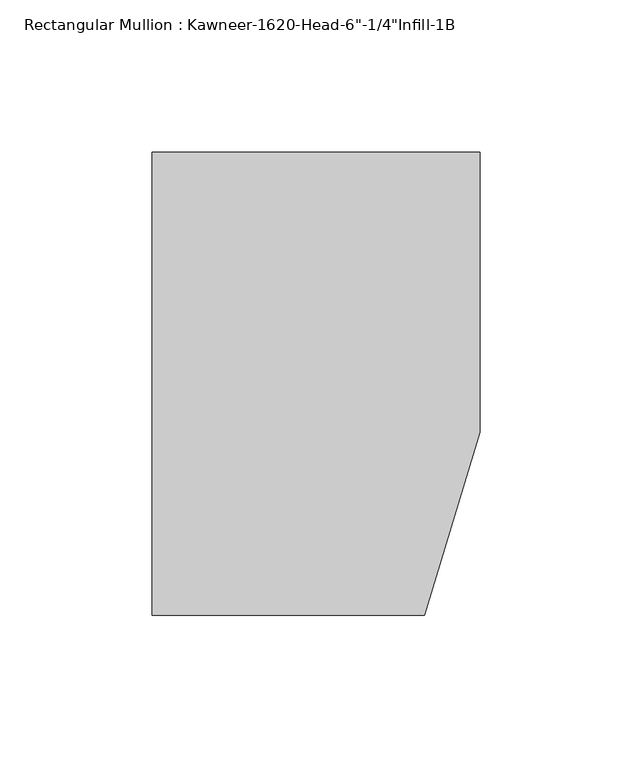
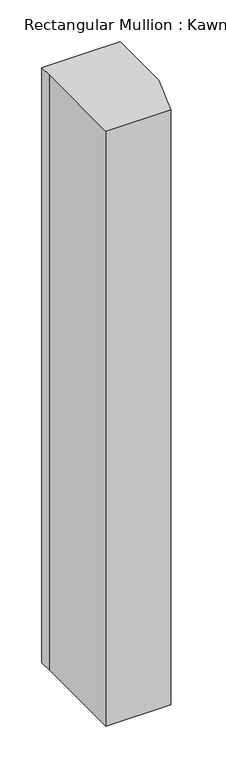
"""IFC4 building model written with IfcOpenShell, lengths in millimetres: member geometry."""

from ifc_helpers import new_model, si_unit, frame, origin, place, context, project, spatial, polyline, outline, extrude, source, transform, mapped, element, save


def member_6619988e(model_context):
    return source(origin(), model_context, "Body", "SweptSolid", [
        extrude(outline(polyline([(-107.95, 10.3845466), (-107.95, 28.575), (-44.1519366, 28.575), (0.0, 28.575), (0.0, -63.5), (-18.3538271, -123.825), (-107.95, -123.825), (-107.95, 10.3845466)])), frame((0.0, 0.0, -866.775), z_axis=(0.0, 0.0, 1.0), x_axis=(1.0, 0.0, 0.0)), (0.0, 0.0, 1.0), 866.775),
    ])


if __name__ == "__main__":
    model = new_model("IFC4")
    model_context = context("Model", 3, world=origin())
    ifc_project = project(units=[si_unit("LENGTHUNIT", "METRE", prefix="MILLI")], contexts=[model_context])
    site = spatial("IfcSite", under=ifc_project)
    building = spatial("IfcBuilding", under=site)
    placement = place(None, origin())
    member_shape = member_6619988e(model_context)
    element("IfcMember", 1, ObjectType="Rectangular Mullion : Kawneer-1620-Head-6\"-1/4\"Infill-1B", at=placement, inside=building, context=model_context, shape_type="MappedRepresentation", body=[
        mapped(member_shape, transform((0.0, 0.0, 0.0), x_axis=(1.0, 0.0, 0.0), y_axis=(0.0, 1.0, 0.0), z_axis=(0.0, 0.0, 1.0))),
    ])
    save(model, "model.ifc")
